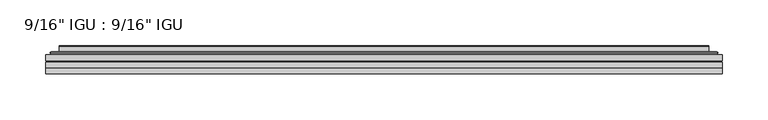
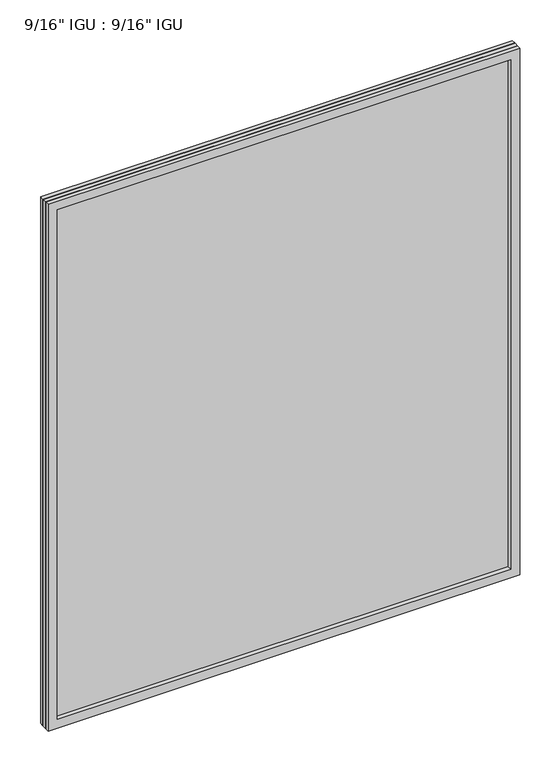
"""IFC4 building model written with IfcOpenShell, lengths in millimetres: plate geometry."""

from ifc_helpers import new_model, si_unit, frame, origin, place, context, project, spatial, polyline, ellipse_curve, outline, extrude, faceted_brep, source, transform, mapped, element, save
from ifc_brep_helpers import plane_surface, cylinder_surface, advanced_brep


def plate_b59fa374(model_context):
    return source(origin(), model_context, "Body", "SolidModel", [
        extrude(outline(polyline([(368.3609066, -54.78145), (368.3609066, -61.1317818), (-368.3467316, -61.1317818), (-368.3467316, -54.78145), (368.3609066, -54.78145)])), frame((0.0, 0.0, -14.2875), z_axis=(0.0, 0.0, 1.0), x_axis=(1.0, 0.0, 0.0)), (0.0, 0.0, 1.0), 869.9537979),
        extrude(outline(polyline([(-368.3467316, -69.05625), (-368.3467316, -62.705745), (368.3609066, -62.705745), (368.3609066, -69.05625), (-368.3467316, -69.05625)])), frame((0.0, 0.0, -14.2875), z_axis=(0.0, 0.0, 1.0), x_axis=(1.0, 0.0, 0.0)), (0.0, 0.0, 1.0), 869.9537979),
        faceted_brep([(-368.3594316, -75.40625, 855.6752), (-368.3594316, -69.05625, 855.6752), (-368.3594316, -69.05625, -14.3002), (-368.3594316, -75.40625, -14.3002), (368.3594316, -69.05625, -14.3002), (368.3594316, -75.40625, -14.3002), (368.3594316, -69.05625, 855.6752), (368.3594316, -75.40625, 855.6752), (-353.1614875, -69.05625, 0.8977441), (353.1614875, -69.05625, 0.8977441), (353.1614875, -69.05625, 840.4772559), (-353.1614875, -69.05625, 840.4772559), (-354.0539218, -75.40625, 841.3696902), (354.0539218, -75.40625, 841.3696902), (354.0539218, -75.40625, 0.0053098), (-354.0539218, -75.40625, 0.0053098)], [[[0, 1, 2, 3]], [[3, 2, 4, 5]], [[5, 4, 6, 7]], [[1, 6, 4, 2], [8, 9, 10, 11]], [[7, 6, 1, 0]], [[3, 5, 7, 0], [12, 13, 14, 15]], [[11, 12, 15, 8]], [[8, 15, 14, 9]], [[9, 14, 13, 10]], [[10, 13, 12, 11]]]),
        advanced_brep(
        [(-361.1054507, -54.78145, 848.421219), (-363.459656, -52.7917833, 850.7754244), (-363.459656, -52.7917833, -9.4004244), (-361.1054507, -54.78145, -7.046219), (-352.0311255, -50.941413, 839.3468939), (-347.0962937, -54.78145, 834.4120621), (-347.0962937, -54.78145, 6.9629379), (-352.0311255, -50.941413, 2.0281061), (-353.0631533, -45.5441819, 840.3789217), (-353.0631533, -45.5441819, 0.9960783), (-354.0538101, -45.1452069, 841.3695784), (-354.0538101, -45.1452069, 0.0054216), (-354.0538101, -51.60645, 841.3695784), (-354.0538101, -51.60645, 0.0054216), (-362.4578665, -51.60645, 849.7736349), (-362.4578665, -51.60645, -8.3986349), (363.459656, -52.7917833, -9.4004244), (361.1054507, -54.78145, -7.046219), (347.0962937, -54.78145, 6.9629379), (352.0311255, -50.941413, 2.0281061), (353.0631533, -45.5441819, 0.9960783), (354.0538101, -45.1452069, 0.0054216), (354.0538101, -51.60645, 0.0054216), (362.4578665, -51.60645, -8.3986349), (363.459656, -52.7917833, 850.7754244), (361.1054507, -54.78145, 848.421219), (347.0962937, -54.78145, 834.4120621), (352.0311255, -50.941413, 839.3468939), (353.0631533, -45.5441819, 840.3789217), (354.0538101, -45.1452069, 841.3695784), (354.0538101, -51.60645, 841.3695784), (362.4578665, -51.60645, 849.7736349)],
        [
            (0, 1, ellipse_curve(frame((-361.1054507, -52.39385, 848.421219), z_axis=(-0.7071067811865475, 0.0, -0.7071067811865475), x_axis=(-0.7071067811865474, 0.0, 0.7071067811865476)), 3.3765763, 2.3876)),
            (1, 2),
            (2, 3, ellipse_curve(frame((-361.1054507, -52.39385, -7.046219), z_axis=(-0.7071067811865475, 0.0, 0.7071067811865475), x_axis=(0.7071067811865474, 0.0, 0.7071067811865476)), 3.3765763, 2.3876)),
            (3, 0),
            (4, 5),
            (5, 6),
            (6, 7),
            (7, 4),
            (8, 4),
            (7, 9),
            (9, 8),
            (10, 8, ellipse_curve(frame((-353.6868535, -45.6634423, 841.0026219), z_axis=(-0.7071067811865475, 0.0, -0.7071067811865475), x_axis=(-0.7071067811865474, 0.0, 0.7071067811865476)), 0.8980256, 0.635)),
            (9, 11, ellipse_curve(frame((-353.6868535, -45.6634423, 0.3723781), z_axis=(-0.7071067811865475, 0.0, 0.7071067811865475), x_axis=(0.7071067811865474, 0.0, 0.7071067811865476)), 0.8980256, 0.635)),
            (11, 10),
            (12, 10),
            (11, 13),
            (13, 12),
            (1, 14, ellipse_curve(frame((-362.4578665, -52.62245, 849.7736349), z_axis=(-0.7071067811865475, 0.0, -0.7071067811865475), x_axis=(-0.7071067811865474, 0.0, 0.7071067811865476)), 1.436841, 1.016)),
            (14, 15),
            (15, 2, ellipse_curve(frame((-362.4578665, -52.62245, -8.3986349), z_axis=(-0.7071067811865475, 0.0, 0.7071067811865475), x_axis=(0.7071067811865474, 0.0, 0.7071067811865476)), 1.436841, 1.016)),
            (2, 16),
            (16, 17, ellipse_curve(frame((361.1054507, -52.39385, -7.046219), z_axis=(-0.7071067811865475, 0.0, -0.7071067811865475), x_axis=(-0.7071067811865476, 0.0, 0.7071067811865474)), 3.3765763, 2.3876)),
            (17, 3),
            (6, 18),
            (18, 19),
            (19, 7),
            (19, 20),
            (20, 9),
            (20, 21, ellipse_curve(frame((353.6868535, -45.6634423, 0.3723781), z_axis=(-0.7071067811865475, 0.0, -0.7071067811865475), x_axis=(-0.7071067811865476, 0.0, 0.7071067811865474)), 0.8980256, 0.635)),
            (21, 11),
            (21, 22),
            (22, 13),
            (15, 23),
            (23, 16, ellipse_curve(frame((362.4578665, -52.62245, -8.3986349), z_axis=(-0.7071067811865475, 0.0, -0.7071067811865475), x_axis=(-0.7071067811865476, 0.0, 0.7071067811865474)), 1.436841, 1.016)),
            (16, 24),
            (24, 25, ellipse_curve(frame((361.1054507, -52.39385, 848.421219), z_axis=(0.7071067811865475, 0.0, -0.7071067811865475), x_axis=(-0.7071067811865474, 0.0, -0.7071067811865476)), 3.3765763, 2.3876)),
            (25, 17),
            (18, 26),
            (26, 27),
            (27, 19),
            (27, 28),
            (28, 20),
            (28, 29, ellipse_curve(frame((353.6868535, -45.6634423, 841.0026219), z_axis=(0.7071067811865475, 0.0, -0.7071067811865475), x_axis=(-0.7071067811865474, 0.0, -0.7071067811865476)), 0.8980256, 0.635)),
            (29, 21),
            (29, 30),
            (30, 22),
            (23, 31),
            (31, 24, ellipse_curve(frame((362.4578665, -52.62245, 849.7736349), z_axis=(0.7071067811865475, 0.0, -0.7071067811865475), x_axis=(-0.7071067811865474, 0.0, -0.7071067811865476)), 1.436841, 1.016)),
            (24, 1),
            (0, 25),
            (5, 26),
            (4, 27),
            (8, 28),
            (10, 29),
            (12, 30),
            (14, 31),
        ],
        [
            cylinder_surface(frame((-361.1054507, -52.39385, 873.125), z_axis=(0.0, 0.0, 1.0), x_axis=(-1.0, 0.0, 0.0)), 2.3876),
            plane_surface(frame((-347.0962937, -54.78145, 834.4120621), z_axis=(0.6141233906514794, 0.7892100234124821, 0.0), x_axis=(0.0, 0.0, -1.0))),
            plane_surface(frame((-352.0311255, -50.941413, 839.3468939), z_axis=(0.9822050625507728, 0.18781164793386088, 0.0), x_axis=(0.0, 0.0, -1.0))),
            cylinder_surface(frame((-353.6868535, -45.6634423, 873.125), z_axis=(0.0, 0.0, 1.0), x_axis=(-1.0, 0.0, 0.0)), 0.635),
            plane_surface(frame((-354.0538101, -45.1452069, 841.3695784), z_axis=(-1.0, 0.0, 0.0), x_axis=(0.0, 0.0, -1.0))),
            cylinder_surface(frame((-362.4578665, -52.62245, 873.125), z_axis=(0.0, 0.0, 1.0), x_axis=(-1.0, 0.0, 0.0)), 1.016),
            cylinder_surface(frame((-385.8092316, -52.39385, -7.046219), z_axis=(-1.0, 0.0, 0.0), x_axis=(0.0, 0.0, -1.0)), 2.3876),
            plane_surface(frame((-347.0962937, -54.78145, 6.9629379), z_axis=(0.0, 0.7892100234124841, 0.6141233906514768), x_axis=(1.0, 0.0, 0.0))),
            plane_surface(frame((-352.0311255, -50.941413, 2.0281061), z_axis=(0.0, 0.18781164793386404, 0.9822050625507722), x_axis=(1.0, 0.0, 0.0))),
            cylinder_surface(frame((-385.8092316, -45.6634423, 0.3723781), z_axis=(-1.0, 0.0, 0.0), x_axis=(0.0, 0.0, -1.0)), 0.635),
            plane_surface(frame((-354.0538101, -45.1452069, 0.0054216), z_axis=(0.0, 0.0, -1.0), x_axis=(1.0, 0.0, 0.0))),
            cylinder_surface(frame((-385.8092316, -52.62245, -8.3986349), z_axis=(-1.0, 0.0, 0.0), x_axis=(0.0, 0.0, -1.0)), 1.016),
            cylinder_surface(frame((361.1054507, -52.39385, -31.75), z_axis=(0.0, 0.0, -1.0), x_axis=(1.0, 0.0, 0.0)), 2.3876),
            plane_surface(frame((347.0962937, -54.78145, 6.9629379), z_axis=(-0.6141233906514743, 0.7892100234124861, 0.0), x_axis=(0.0, 0.0, 1.0))),
            plane_surface(frame((352.0311255, -50.941413, 2.0281061), z_axis=(-0.9822050625507717, 0.1878116479338672, 0.0), x_axis=(0.0, 0.0, 1.0))),
            cylinder_surface(frame((353.6868535, -45.6634423, -31.75), z_axis=(0.0, 0.0, -1.0), x_axis=(1.0, 0.0, 0.0)), 0.635),
            plane_surface(frame((354.0538101, -45.1452069, 0.0054216), z_axis=(1.0, 0.0, 0.0), x_axis=(0.0, 0.0, 1.0))),
            cylinder_surface(frame((362.4578665, -52.62245, -31.75), z_axis=(0.0, 0.0, -1.0), x_axis=(1.0, 0.0, 0.0)), 1.016),
            cylinder_surface(frame((385.8092316, -52.39385, 848.421219), z_axis=(1.0, 0.0, 0.0), x_axis=(0.0, 0.0, 1.0)), 2.3876),
            plane_surface(frame((361.1054507, -54.78145, 848.421219), z_axis=(0.0, -1.0, 0.0), x_axis=(-1.0, 0.0, 0.0))),
            plane_surface(frame((347.0962937, -54.78145, 834.4120621), z_axis=(0.0, 0.7892100234124841, -0.6141233906514768), x_axis=(-1.0, 0.0, 0.0))),
            plane_surface(frame((352.0311255, -50.941413, 839.3468939), z_axis=(0.0, 0.18781164793386404, -0.9822050625507722), x_axis=(-1.0, 0.0, 0.0))),
            cylinder_surface(frame((385.8092316, -45.6634423, 841.0026219), z_axis=(1.0, 0.0, 0.0), x_axis=(0.0, 0.0, 1.0)), 0.635),
            plane_surface(frame((354.0538101, -45.1452069, 841.3695784), z_axis=(0.0, 0.0, 1.0), x_axis=(-1.0, 0.0, 0.0))),
            plane_surface(frame((354.0538101, -51.60645, 841.3695784), z_axis=(0.0, 1.0, 0.0), x_axis=(-1.0, 0.0, 0.0))),
            cylinder_surface(frame((385.8092316, -52.62245, 849.7736349), z_axis=(1.0, 0.0, 0.0), x_axis=(0.0, 0.0, 1.0)), 1.016),
        ],
        [
            (0, [[1, 2, 3, 4]]),
            (1, [[5, 6, 7, 8]]),
            (2, [[9, -8, 10, 11]]),
            (3, [[12, -11, 13, 14]]),
            (4, [[15, -14, 16, 17]]),
            (5, [[18, 19, 20, -2]]),
            (6, [[-3, 21, 22, 23]]),
            (7, [[-7, 24, 25, 26]]),
            (8, [[-10, -26, 27, 28]]),
            (9, [[-13, -28, 29, 30]]),
            (10, [[-16, -30, 31, 32]]),
            (11, [[-20, 33, 34, -21]]),
            (12, [[-22, 35, 36, 37]]),
            (13, [[-25, 38, 39, 40]]),
            (14, [[-27, -40, 41, 42]]),
            (15, [[-29, -42, 43, 44]]),
            (16, [[-31, -44, 45, 46]]),
            (17, [[-34, 47, 48, -35]]),
            (18, [[-36, 49, -1, 50]]),
            (19, [[-23, -37, -50, -4], [51, -38, -24, -6]]),
            (20, [[-39, -51, -5, 52]]),
            (21, [[-41, -52, -9, 53]]),
            (22, [[-43, -53, -12, 54]]),
            (23, [[-45, -54, -15, 55]]),
            (24, [[56, -47, -33, -19], [-32, -46, -55, -17]]),
            (25, [[-48, -56, -18, -49]]),
        ],
    ),
    ])


if __name__ == "__main__":
    model = new_model("IFC4")
    model_context = context("Model", 3, world=origin())
    ifc_project = project(units=[si_unit("LENGTHUNIT", "METRE", prefix="MILLI")], contexts=[model_context])
    site = spatial("IfcSite", under=ifc_project)
    building = spatial("IfcBuilding", under=site)
    placement = place(None, origin())
    plate_shape = plate_b59fa374(model_context)
    element("IfcPlate", 1, ObjectType="9/16\" IGU : 9/16\" IGU", at=placement, inside=building, context=model_context, shape_type="MappedRepresentation", body=[
        mapped(plate_shape, transform((0.0, 0.0, 0.0), x_axis=(1.0, 0.0, 0.0), y_axis=(0.0, 1.0, 0.0), z_axis=(0.0, 0.0, 1.0))),
    ])
    save(model, "model.ifc")
